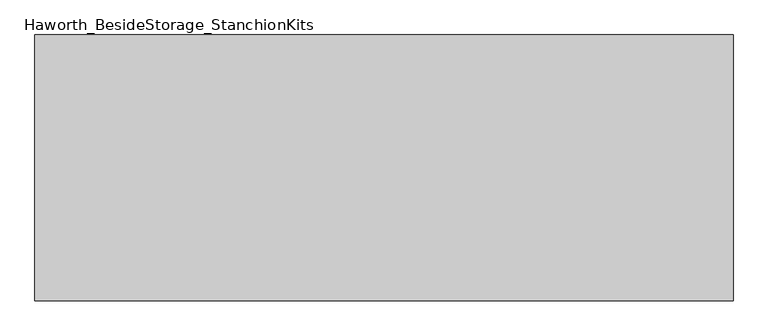
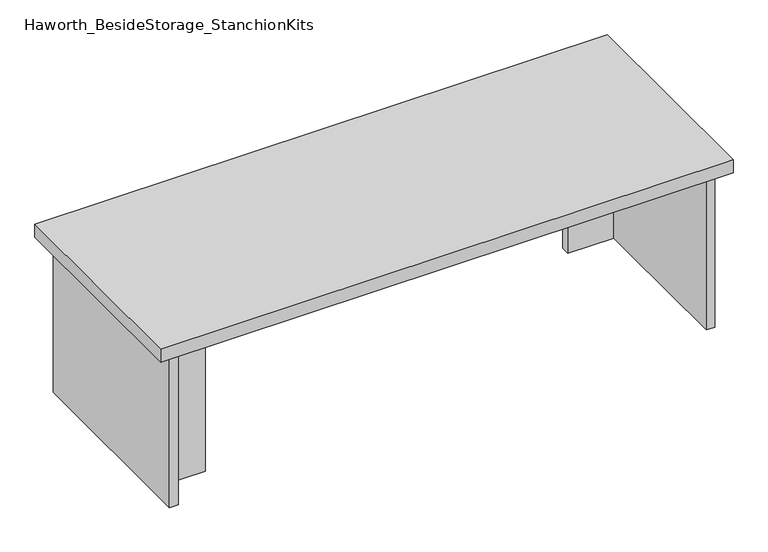
"""IFC4 building model written with IfcOpenShell, lengths in millimetres: furniture geometry, Haworth_BesideStorage_StanchionKits."""

from ifc_helpers import new_model, si_unit, frame, origin, place, context, project, spatial, polyline, outline, extrude, source, transform, mapped, element, save


def haworth_besidestorage_stanchionkits_ac95717e(model_context):
    return source(origin(), model_context, "Body", "SweptSolid", [
        extrude(outline(polyline([(695.325, 0.0), (695.325, -406.4), (-371.475, -406.4), (-371.475, 0.0), (695.325, 0.0)])), frame((0.0, 0.0, 736.6), z_axis=(0.0, 0.0, 1.0), x_axis=(1.0, 0.0, 0.0)), (0.0, 0.0, 1.0), 25.4),
        extrude(outline(polyline([(568.325, -76.2), (654.05, -76.2), (654.05, -92.075), (568.325, -92.075), (568.325, -76.2)])), frame((0.0, 0.0, 431.8), z_axis=(0.0, 0.0, 1.0), x_axis=(1.0, 0.0, 0.0)), (0.0, 0.0, 1.0), 304.8),
        extrude(outline(polyline([(-244.475, -314.325), (-244.475, -330.2), (-330.2, -330.2), (-330.2, -314.325), (-244.475, -314.325)])), frame((0.0, 0.0, 431.8), z_axis=(0.0, 0.0, 1.0), x_axis=(1.0, 0.0, 0.0)), (0.0, 0.0, 1.0), 304.8),
        extrude(outline(polyline([(669.925, -390.525), (654.05, -390.525), (654.05, -15.875), (669.925, -15.875), (669.925, -390.525)])), frame((0.0, 0.0, 431.8), z_axis=(0.0, 0.0, 1.0), x_axis=(1.0, 0.0, 0.0)), (0.0, 0.0, 1.0), 304.8),
        extrude(outline(polyline([(-330.2, -390.525), (-346.075, -390.525), (-346.075, -15.875), (-330.2, -15.875), (-330.2, -390.525)])), frame((0.0, 0.0, 431.8), z_axis=(0.0, 0.0, 1.0), x_axis=(1.0, 0.0, 0.0)), (0.0, 0.0, 1.0), 304.8),
    ])


if __name__ == "__main__":
    model = new_model("IFC4")
    model_context = context("Model", 3, world=origin())
    ifc_project = project(units=[si_unit("LENGTHUNIT", "METRE", prefix="MILLI")], contexts=[model_context])
    site = spatial("IfcSite", under=ifc_project)
    building = spatial("IfcBuilding", under=site)
    placement = place(None, origin())
    haworth_besidestorage_stanchionkits_shape = haworth_besidestorage_stanchionkits_ac95717e(model_context)
    element("IfcFurniture", 1, ObjectType="Haworth_BesideStorage_StanchionKits", at=placement, inside=building, context=model_context, shape_type="MappedRepresentation", body=[
        mapped(haworth_besidestorage_stanchionkits_shape, transform((0.0, 0.0, 0.0), x_axis=(1.0, 0.0, 0.0), y_axis=(0.0, 1.0, 0.0), z_axis=(0.0, 0.0, 1.0))),
    ])
    save(model, "model.ifc")
